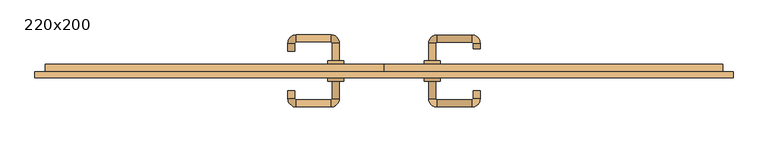
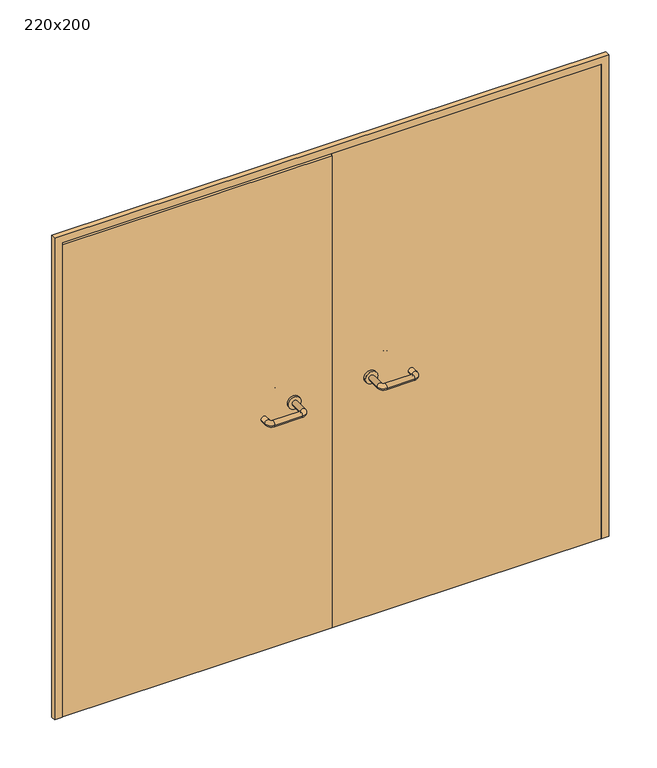
"""IFC4 building model written with IfcOpenShell, lengths in millimetres: door geometry, 220x200."""

from ifc_helpers import new_model, si_unit, point, frame, frame_2d, origin, place, context, project, spatial, polyline, circle_curve, ellipse_curve, trimmed, segment, composite_curve, outline, extrude, source, transform, mapped, element, save
from ifc_brep_helpers import plane_surface, cylinder_surface, revolved_surface, advanced_brep


def door_220x200_5dde4a0d(model_context):
    return source(origin(), model_context, "Body", "SolidModel", [
        extrude(outline(polyline([(2020.0, -1100.0), (0.0, -1100.0), (0.0, -1070.0), (1990.0, -1070.0), (1990.0, 1070.0), (0.0, 1070.0), (0.0, 1100.0), (2020.0, 1100.0), (2020.0, -1100.0)])), frame((0.0, -150.0, 0.0), z_axis=(0.0, 1.0, 0.0), x_axis=(0.0, 0.0, 1.0)), (0.0, 0.0, 1.0), 20.0),
        advanced_brep(
        [(140.99898, -96.0, 1003.0), (162.99898, -96.0, 1003.0), (162.99898, -40.6474631, 1003.0), (140.99898, -40.6474631, 1003.0), (166.99898, -36.6474631, 1003.0), (166.99898, -14.6474631, 1003.0), (276.99898, -36.6474631, 1003.0), (276.99898, -14.6474631, 1003.0), (280.99898, -40.6474631, 1003.0), (302.99898, -40.6474631, 1003.0), (302.99898, -58.0, 1003.0), (280.99898, -58.0, 1003.0)],
        [
            (0, 1, circle_curve(frame((151.99898, -96.0, 1003.0), z_axis=(0.0, -1.0, 0.0), x_axis=(1.0, 0.0, 0.0)), 11.0)),
            (1, 0, circle_curve(frame((151.99898, -96.0, 1003.0), z_axis=(0.0, -1.0, 0.0), x_axis=(1.0, 0.0, 0.0)), 11.0)),
            (1, 2),
            (2, 3, circle_curve(frame((151.99898, -40.6474631, 1003.0), z_axis=(0.0, -1.0, 0.0), x_axis=(1.0, 0.0, 0.0)), 11.0)),
            (3, 0),
            (3, 2, circle_curve(frame((151.99898, -40.6474631, 1003.0), z_axis=(0.0, -1.0, 0.0), x_axis=(1.0, 0.0, 0.0)), 11.0)),
            (4, 5, circle_curve(frame((166.99898, -25.6474631, 1003.0), z_axis=(-1.0, 0.0, 0.0), x_axis=(0.0, -1.0, 0.0)), 11.0)),
            (5, 3, circle_curve(frame((166.99898, -40.6474631, 1003.0), z_axis=(0.0, 0.0, 1.0), x_axis=(-1.0, 0.0, 0.0)), 26.0)),
            (2, 4, circle_curve(frame((166.99898, -40.6474631, 1003.0), z_axis=(0.0, 0.0, -1.0), x_axis=(-1.0, 0.0, 0.0)), 4.0)),
            (5, 4, circle_curve(frame((166.99898, -25.6474631, 1003.0), z_axis=(-1.0, 0.0, 0.0), x_axis=(0.0, -1.0, 0.0)), 11.0)),
            (4, 6),
            (6, 7, circle_curve(frame((276.99898, -25.6474631, 1003.0), z_axis=(-1.0, 0.0, 0.0), x_axis=(0.0, -1.0, 0.0)), 11.0)),
            (7, 5),
            (7, 6, circle_curve(frame((276.99898, -25.6474631, 1003.0), z_axis=(-1.0, 0.0, 0.0), x_axis=(0.0, -1.0, 0.0)), 11.0)),
            (8, 9, circle_curve(frame((291.99898, -40.6474631, 1003.0), z_axis=(0.0, 1.0, 0.0), x_axis=(-1.0, 0.0, 0.0)), 11.0)),
            (9, 7, circle_curve(frame((276.99898, -40.6474631, 1003.0), z_axis=(0.0, 0.0, 1.0), x_axis=(0.0, 1.0, 0.0)), 26.0)),
            (6, 8, circle_curve(frame((276.99898, -40.6474631, 1003.0), z_axis=(0.0, 0.0, -1.0), x_axis=(0.0, 1.0, 0.0)), 4.0)),
            (9, 8, circle_curve(frame((291.99898, -40.6474631, 1003.0), z_axis=(0.0, 1.0, 0.0), x_axis=(-1.0, 0.0, 0.0)), 11.0)),
            (10, 11, circle_curve(frame((291.99898, -58.0, 1003.0), z_axis=(0.0, -1.0, 0.0), x_axis=(-1.0, 0.0, 0.0)), 11.0)),
            (11, 10, circle_curve(frame((291.99898, -58.0, 1003.0), z_axis=(0.0, -1.0, 0.0), x_axis=(-1.0, 0.0, 0.0)), 11.0)),
            (8, 11),
            (10, 9),
        ],
        [
            plane_surface(frame((140.99898, -96.0, 1003.0), z_axis=(0.0, -1.0, 0.0), x_axis=(0.0, 0.0, -1.0))),
            cylinder_surface(frame((151.99898, -96.0, 1003.0), z_axis=(0.0, -1.0, 0.0), x_axis=(1.0, 0.0, 0.0)), 11.0),
            revolved_surface(trimmed(ellipse_curve(frame((151.99898, -40.6474631, 1003.0), z_axis=(0.0, 1.0, 0.0), x_axis=(1.0, 0.0, 0.0)), 11.0, 11.0), [point((140.99898, -40.6474631, 1003.0))], [point((162.99898, -40.6474631, 1003.0))], True, "CARTESIAN"), (166.99898, -40.6474631, 1003.0), (0.0, 0.0, 1.0)),
            revolved_surface(trimmed(ellipse_curve(frame((151.99898, -40.6474631, 1003.0), z_axis=(0.0, 1.0, 0.0), x_axis=(1.0, 0.0, 0.0)), 11.0, 11.0), [point((162.99898, -40.6474631, 1003.0))], [point((140.99898, -40.6474631, 1003.0))], True, "CARTESIAN"), (166.99898, -40.6474631, 1003.0), (0.0, 0.0, 1.0)),
            cylinder_surface(frame((166.99898, -25.6474631, 1003.0), z_axis=(-1.0, 0.0, 0.0), x_axis=(0.0, -1.0, 0.0)), 11.0),
            revolved_surface(trimmed(ellipse_curve(frame((276.99898, -25.6474631, 1003.0), z_axis=(1.0, 0.0, 0.0), x_axis=(0.0, -1.0, 0.0)), 11.0, 11.0), [point((276.99898, -14.6474631, 1003.0))], [point((276.99898, -36.6474631, 1003.0))], True, "CARTESIAN"), (276.99898, -40.6474631, 1003.0), (0.0, 0.0, 1.0)),
            revolved_surface(trimmed(ellipse_curve(frame((276.99898, -25.6474631, 1003.0), z_axis=(1.0, 0.0, 0.0), x_axis=(0.0, -1.0, 0.0)), 11.0, 11.0), [point((276.99898, -36.6474631, 1003.0))], [point((276.99898, -14.6474631, 1003.0))], True, "CARTESIAN"), (276.99898, -40.6474631, 1003.0), (0.0, 0.0, 1.0)),
            plane_surface(frame((280.99898, -58.0, 1003.0), z_axis=(0.0, -1.0, 0.0), x_axis=(0.0, 0.0, 1.0))),
            cylinder_surface(frame((291.99898, -40.6474631, 1003.0), z_axis=(0.0, 1.0, 0.0), x_axis=(-1.0, 0.0, 0.0)), 11.0),
        ],
        [
            (0, [[1, 2]]),
            (1, [[3, 4, 5, -2]]),
            (1, [[-5, 6, -3, -1]]),
            (2, [[7, 8, -4, 9]]),
            (3, [[10, -9, -6, -8]]),
            (4, [[11, 12, 13, -7]]),
            (4, [[-13, 14, -11, -10]]),
            (5, [[15, 16, -12, 17]]),
            (6, [[18, -17, -14, -16]]),
            (7, [[19, 20]]),
            (8, [[21, -19, 22, -15]]),
            (8, [[-22, -20, -21, -18]]),
        ],
    ),
        extrude(outline(composite_curve([segment(trimmed(circle_curve(frame_2d((1003.0, 151.99898)), 25.0), [point((1003.0, 126.99898))], [point((1003.0, 176.99898))], False, "CARTESIAN"), True, "CONTINUOUS"), segment(trimmed(circle_curve(frame_2d((1003.0, 151.99898)), 25.0), [point((1003.0, 176.99898))], [point((1003.0, 126.99898))], False, "CARTESIAN"), True, "CONTINUOUS")], self_intersect=False)), frame((0.0, -106.0, 0.0), z_axis=(0.0, 1.0, 0.0), x_axis=(0.0, 0.0, 1.0)), (0.0, 0.0, 1.0), 10.0),
        advanced_brep(
        [(162.99898, -160.0, 1003.0), (140.99898, -160.0, 1003.0), (140.99898, -215.0, 1003.0), (162.99898, -215.0, 1003.0), (166.99898, -241.0, 1003.0), (166.99898, -219.0, 1003.0), (276.99898, -241.0, 1003.0), (276.99898, -219.0, 1003.0), (302.99898, -215.0, 1003.0), (280.99898, -215.0, 1003.0), (280.99898, -190.0, 1003.0), (302.99898, -190.0, 1003.0)],
        [
            (0, 1, circle_curve(frame((151.99898, -160.0, 1003.0), z_axis=(0.0, 1.0, 0.0), x_axis=(-1.0, 0.0, 0.0)), 11.0)),
            (1, 0, circle_curve(frame((151.99898, -160.0, 1003.0), z_axis=(0.0, 1.0, 0.0), x_axis=(-1.0, 0.0, 0.0)), 11.0)),
            (1, 2),
            (2, 3, circle_curve(frame((151.99898, -215.0, 1003.0), z_axis=(0.0, 1.0, 0.0), x_axis=(-1.0, 0.0, 0.0)), 11.0)),
            (3, 0),
            (3, 2, circle_curve(frame((151.99898, -215.0, 1003.0), z_axis=(0.0, 1.0, 0.0), x_axis=(-1.0, 0.0, 0.0)), 11.0)),
            (4, 5, circle_curve(frame((166.99898, -230.0, 1003.0), z_axis=(-1.0, 0.0, 0.0), x_axis=(0.0, -1.0, 0.0)), 11.0)),
            (5, 3, circle_curve(frame((166.99898, -215.0, 1003.0), z_axis=(0.0, 0.0, -1.0), x_axis=(-1.0, 0.0, 0.0)), 4.0)),
            (2, 4, circle_curve(frame((166.99898, -215.0, 1003.0), z_axis=(0.0, 0.0, 1.0), x_axis=(-1.0, 0.0, 0.0)), 26.0)),
            (5, 4, circle_curve(frame((166.99898, -230.0, 1003.0), z_axis=(-1.0, 0.0, 0.0), x_axis=(0.0, -1.0, 0.0)), 11.0)),
            (4, 6),
            (6, 7, circle_curve(frame((276.99898, -230.0, 1003.0), z_axis=(-1.0, 0.0, 0.0), x_axis=(0.0, -1.0, 0.0)), 11.0)),
            (7, 5),
            (7, 6, circle_curve(frame((276.99898, -230.0, 1003.0), z_axis=(-1.0, 0.0, 0.0), x_axis=(0.0, -1.0, 0.0)), 11.0)),
            (8, 9, circle_curve(frame((291.99898, -215.0, 1003.0), z_axis=(0.0, -1.0, 0.0), x_axis=(1.0, 0.0, 0.0)), 11.0)),
            (9, 7, circle_curve(frame((276.99898, -215.0, 1003.0), z_axis=(0.0, 0.0, -1.0), x_axis=(0.0, -1.0, 0.0)), 4.0)),
            (6, 8, circle_curve(frame((276.99898, -215.0, 1003.0), z_axis=(0.0, 0.0, 1.0), x_axis=(0.0, -1.0, 0.0)), 26.0)),
            (9, 8, circle_curve(frame((291.99898, -215.0, 1003.0), z_axis=(0.0, -1.0, 0.0), x_axis=(1.0, 0.0, 0.0)), 11.0)),
            (10, 11, circle_curve(frame((291.99898, -190.0, 1003.0), z_axis=(0.0, 1.0, 0.0), x_axis=(1.0, 0.0, 0.0)), 11.0)),
            (11, 10, circle_curve(frame((291.99898, -190.0, 1003.0), z_axis=(0.0, 1.0, 0.0), x_axis=(1.0, 0.0, 0.0)), 11.0)),
            (8, 11),
            (10, 9),
        ],
        [
            plane_surface(frame((140.99898, -160.0, 1003.0), z_axis=(0.0, 1.0, 0.0), x_axis=(0.0, 0.0, 1.0))),
            cylinder_surface(frame((151.99898, -160.0, 1003.0), z_axis=(0.0, 1.0, 0.0), x_axis=(-1.0, 0.0, 0.0)), 11.0),
            revolved_surface(trimmed(ellipse_curve(frame((151.99898, -215.0, 1003.0), z_axis=(0.0, -1.0, 0.0), x_axis=(-1.0, 0.0, 0.0)), 11.0, 11.0), [point((162.99898, -215.0, 1003.0))], [point((140.99898, -215.0, 1003.0))], True, "CARTESIAN"), (166.99898, -215.0, 1003.0), (0.0, 0.0, -1.0)),
            revolved_surface(trimmed(ellipse_curve(frame((151.99898, -215.0, 1003.0), z_axis=(0.0, -1.0, 0.0), x_axis=(-1.0, 0.0, 0.0)), 11.0, 11.0), [point((140.99898, -215.0, 1003.0))], [point((162.99898, -215.0, 1003.0))], True, "CARTESIAN"), (166.99898, -215.0, 1003.0), (0.0, 0.0, -1.0)),
            cylinder_surface(frame((166.99898, -230.0, 1003.0), z_axis=(-1.0, 0.0, 0.0), x_axis=(0.0, -1.0, 0.0)), 11.0),
            revolved_surface(trimmed(ellipse_curve(frame((276.99898, -230.0, 1003.0), z_axis=(1.0, 0.0, 0.0), x_axis=(0.0, -1.0, 0.0)), 11.0, 11.0), [point((276.99898, -219.0, 1003.0))], [point((276.99898, -241.0, 1003.0))], True, "CARTESIAN"), (276.99898, -215.0, 1003.0), (0.0, 0.0, -1.0)),
            revolved_surface(trimmed(ellipse_curve(frame((276.99898, -230.0, 1003.0), z_axis=(1.0, 0.0, 0.0), x_axis=(0.0, -1.0, 0.0)), 11.0, 11.0), [point((276.99898, -241.0, 1003.0))], [point((276.99898, -219.0, 1003.0))], True, "CARTESIAN"), (276.99898, -215.0, 1003.0), (0.0, 0.0, -1.0)),
            plane_surface(frame((280.99898, -190.0, 1003.0), z_axis=(0.0, 1.0, 0.0), x_axis=(0.0, 0.0, -1.0))),
            cylinder_surface(frame((291.99898, -215.0, 1003.0), z_axis=(0.0, -1.0, 0.0), x_axis=(1.0, 0.0, 0.0)), 11.0),
        ],
        [
            (0, [[1, 2]]),
            (1, [[3, 4, 5, -2]]),
            (1, [[-5, 6, -3, -1]]),
            (2, [[7, 8, -4, 9]]),
            (3, [[10, -9, -6, -8]]),
            (4, [[11, 12, 13, -7]]),
            (4, [[-13, 14, -11, -10]]),
            (5, [[15, 16, -12, 17]]),
            (6, [[18, -17, -14, -16]]),
            (7, [[19, 20]]),
            (8, [[21, -19, 22, -15]]),
            (8, [[-22, -20, -21, -18]]),
        ],
    ),
        extrude(outline(composite_curve([segment(trimmed(circle_curve(frame_2d((1003.0, 151.99898)), 25.0), [point((1003.0, 176.99898))], [point((1003.0, 126.99898))], False, "CARTESIAN"), True, "CONTINUOUS"), segment(trimmed(circle_curve(frame_2d((1003.0, 151.99898)), 25.0), [point((1003.0, 126.99898))], [point((1003.0, 176.99898))], False, "CARTESIAN"), True, "CONTINUOUS")], self_intersect=False)), frame((0.0, -160.0, 0.0), z_axis=(0.0, 1.0, 0.0), x_axis=(0.0, 0.0, 1.0)), (0.0, 0.0, 1.0), 10.0),
        advanced_brep(
        [(-162.99898, -95.6886121, 1003.0), (-140.99898, -95.6886121, 1003.0), (-140.99898, -40.2779553, 1003.0), (-162.99898, -40.2779553, 1003.0), (-166.99898, -14.2779553, 1003.0), (-166.99898, -36.2779553, 1003.0), (-276.99898, -14.2779553, 1003.0), (-276.99898, -36.2779553, 1003.0), (-302.99898, -40.2779553, 1003.0), (-280.99898, -40.2779553, 1003.0), (-280.99898, -65.2779553, 1003.0), (-302.99898, -65.2779553, 1003.0)],
        [
            (0, 1, circle_curve(frame((-151.99898, -95.6886121, 1003.0), z_axis=(0.0, -1.0, 0.0), x_axis=(1.0, 0.0, 0.0)), 11.0)),
            (1, 0, circle_curve(frame((-151.99898, -95.6886121, 1003.0), z_axis=(0.0, -1.0, 0.0), x_axis=(1.0, 0.0, 0.0)), 11.0)),
            (1, 2),
            (2, 3, circle_curve(frame((-151.99898, -40.2779553, 1003.0), z_axis=(0.0, -1.0, 0.0), x_axis=(1.0, 0.0, 0.0)), 11.0)),
            (3, 0),
            (3, 2, circle_curve(frame((-151.99898, -40.2779553, 1003.0), z_axis=(0.0, -1.0, 0.0), x_axis=(1.0, 0.0, 0.0)), 11.0)),
            (4, 5, circle_curve(frame((-166.99898, -25.2779553, 1003.0), z_axis=(1.0, 0.0, 0.0), x_axis=(0.0, 1.0, 0.0)), 11.0)),
            (5, 3, circle_curve(frame((-166.99898, -40.2779553, 1003.0), z_axis=(0.0, 0.0, -1.0), x_axis=(1.0, 0.0, 0.0)), 4.0)),
            (2, 4, circle_curve(frame((-166.99898, -40.2779553, 1003.0), z_axis=(0.0, 0.0, 1.0), x_axis=(1.0, 0.0, 0.0)), 26.0)),
            (5, 4, circle_curve(frame((-166.99898, -25.2779553, 1003.0), z_axis=(1.0, 0.0, 0.0), x_axis=(0.0, 1.0, 0.0)), 11.0)),
            (4, 6),
            (6, 7, circle_curve(frame((-276.99898, -25.2779553, 1003.0), z_axis=(1.0, 0.0, 0.0), x_axis=(0.0, 1.0, 0.0)), 11.0)),
            (7, 5),
            (7, 6, circle_curve(frame((-276.99898, -25.2779553, 1003.0), z_axis=(1.0, 0.0, 0.0), x_axis=(0.0, 1.0, 0.0)), 11.0)),
            (8, 9, circle_curve(frame((-291.99898, -40.2779553, 1003.0), z_axis=(0.0, 1.0, 0.0), x_axis=(-1.0, 0.0, 0.0)), 11.0)),
            (9, 7, circle_curve(frame((-276.99898, -40.2779553, 1003.0), z_axis=(0.0, 0.0, -1.0), x_axis=(0.0, 1.0, 0.0)), 4.0)),
            (6, 8, circle_curve(frame((-276.99898, -40.2779553, 1003.0), z_axis=(0.0, 0.0, 1.0), x_axis=(0.0, 1.0, 0.0)), 26.0)),
            (9, 8, circle_curve(frame((-291.99898, -40.2779553, 1003.0), z_axis=(0.0, 1.0, 0.0), x_axis=(-1.0, 0.0, 0.0)), 11.0)),
            (10, 11, circle_curve(frame((-291.99898, -65.2779553, 1003.0), z_axis=(0.0, -1.0, 0.0), x_axis=(-1.0, 0.0, 0.0)), 11.0)),
            (11, 10, circle_curve(frame((-291.99898, -65.2779553, 1003.0), z_axis=(0.0, -1.0, 0.0), x_axis=(-1.0, 0.0, 0.0)), 11.0)),
            (8, 11),
            (10, 9),
        ],
        [
            plane_surface(frame((-162.99898, -95.6886121, 1003.0), z_axis=(0.0, -1.0, 0.0), x_axis=(0.0, 0.0, -1.0))),
            cylinder_surface(frame((-151.99898, -95.6886121, 1003.0), z_axis=(0.0, -1.0, 0.0), x_axis=(1.0, 0.0, 0.0)), 11.0),
            revolved_surface(trimmed(ellipse_curve(frame((-151.99898, -40.2779553, 1003.0), z_axis=(0.0, 1.0, 0.0), x_axis=(1.0, 0.0, 0.0)), 11.0, 11.0), [point((-162.99898, -40.2779553, 1003.0))], [point((-140.99898, -40.2779553, 1003.0))], True, "CARTESIAN"), (-166.99898, -40.2779553, 1003.0), (0.0, 0.0, -1.0)),
            revolved_surface(trimmed(ellipse_curve(frame((-151.99898, -40.2779553, 1003.0), z_axis=(0.0, 1.0, 0.0), x_axis=(1.0, 0.0, 0.0)), 11.0, 11.0), [point((-140.99898, -40.2779553, 1003.0))], [point((-162.99898, -40.2779553, 1003.0))], True, "CARTESIAN"), (-166.99898, -40.2779553, 1003.0), (0.0, 0.0, -1.0)),
            cylinder_surface(frame((-166.99898, -25.2779553, 1003.0), z_axis=(1.0, 0.0, 0.0), x_axis=(0.0, 1.0, 0.0)), 11.0),
            revolved_surface(trimmed(ellipse_curve(frame((-276.99898, -25.2779553, 1003.0), z_axis=(-1.0, 0.0, 0.0), x_axis=(0.0, 1.0, 0.0)), 11.0, 11.0), [point((-276.99898, -36.2779553, 1003.0))], [point((-276.99898, -14.2779553, 1003.0))], True, "CARTESIAN"), (-276.99898, -40.2779553, 1003.0), (0.0, 0.0, -1.0)),
            revolved_surface(trimmed(ellipse_curve(frame((-276.99898, -25.2779553, 1003.0), z_axis=(-1.0, 0.0, 0.0), x_axis=(0.0, 1.0, 0.0)), 11.0, 11.0), [point((-276.99898, -14.2779553, 1003.0))], [point((-276.99898, -36.2779553, 1003.0))], True, "CARTESIAN"), (-276.99898, -40.2779553, 1003.0), (0.0, 0.0, -1.0)),
            plane_surface(frame((-302.99898, -65.2779553, 1003.0), z_axis=(0.0, -1.0, 0.0), x_axis=(0.0, 0.0, 1.0))),
            cylinder_surface(frame((-291.99898, -40.2779553, 1003.0), z_axis=(0.0, 1.0, 0.0), x_axis=(-1.0, 0.0, 0.0)), 11.0),
        ],
        [
            (0, [[1, 2]]),
            (1, [[3, 4, 5, -2]]),
            (1, [[-5, 6, -3, -1]]),
            (2, [[7, 8, -4, 9]]),
            (3, [[10, -9, -6, -8]]),
            (4, [[11, 12, 13, -7]]),
            (4, [[-13, 14, -11, -10]]),
            (5, [[15, 16, -12, 17]]),
            (6, [[18, -17, -14, -16]]),
            (7, [[19, 20]]),
            (8, [[21, -19, 22, -15]]),
            (8, [[-22, -20, -21, -18]]),
        ],
    ),
        extrude(outline(composite_curve([segment(trimmed(circle_curve(frame_2d((1003.0, -151.99898)), 25.0), [point((1003.0, -176.99898))], [point((1003.0, -126.99898))], False, "CARTESIAN"), True, "CONTINUOUS"), segment(trimmed(circle_curve(frame_2d((1003.0, -151.99898)), 25.0), [point((1003.0, -126.99898))], [point((1003.0, -176.99898))], False, "CARTESIAN"), True, "CONTINUOUS")], self_intersect=False)), frame((0.0, -106.0, 0.0), z_axis=(0.0, 1.0, 0.0), x_axis=(0.0, 0.0, 1.0)), (0.0, 0.0, 1.0), 10.3113879),
        advanced_brep(
        [(-140.99898, -159.5143417, 1003.0), (-162.99898, -159.5143417, 1003.0), (-162.99898, -214.6104656, 1003.0), (-140.99898, -214.6104656, 1003.0), (-166.99898, -218.6104656, 1003.0), (-166.99898, -240.6104656, 1003.0), (-276.99898, -218.6104656, 1003.0), (-276.99898, -240.6104656, 1003.0), (-280.99898, -214.6104656, 1003.0), (-302.99898, -214.6104656, 1003.0), (-302.99898, -189.6104656, 1003.0), (-280.99898, -189.6104656, 1003.0)],
        [
            (0, 1, circle_curve(frame((-151.99898, -159.5143417, 1003.0), z_axis=(0.0, 1.0, 0.0), x_axis=(-1.0, 0.0, 0.0)), 11.0)),
            (1, 0, circle_curve(frame((-151.99898, -159.5143417, 1003.0), z_axis=(0.0, 1.0, 0.0), x_axis=(-1.0, 0.0, 0.0)), 11.0)),
            (1, 2),
            (2, 3, circle_curve(frame((-151.99898, -214.6104656, 1003.0), z_axis=(0.0, 1.0, 0.0), x_axis=(-1.0, 0.0, 0.0)), 11.0)),
            (3, 0),
            (3, 2, circle_curve(frame((-151.99898, -214.6104656, 1003.0), z_axis=(0.0, 1.0, 0.0), x_axis=(-1.0, 0.0, 0.0)), 11.0)),
            (4, 5, circle_curve(frame((-166.99898, -229.6104656, 1003.0), z_axis=(1.0, 0.0, 0.0), x_axis=(0.0, 1.0, 0.0)), 11.0)),
            (5, 3, circle_curve(frame((-166.99898, -214.6104656, 1003.0), z_axis=(0.0, 0.0, 1.0), x_axis=(1.0, 0.0, 0.0)), 26.0)),
            (2, 4, circle_curve(frame((-166.99898, -214.6104656, 1003.0), z_axis=(0.0, 0.0, -1.0), x_axis=(1.0, 0.0, 0.0)), 4.0)),
            (5, 4, circle_curve(frame((-166.99898, -229.6104656, 1003.0), z_axis=(1.0, 0.0, 0.0), x_axis=(0.0, 1.0, 0.0)), 11.0)),
            (4, 6),
            (6, 7, circle_curve(frame((-276.99898, -229.6104656, 1003.0), z_axis=(1.0, 0.0, 0.0), x_axis=(0.0, 1.0, 0.0)), 11.0)),
            (7, 5),
            (7, 6, circle_curve(frame((-276.99898, -229.6104656, 1003.0), z_axis=(1.0, 0.0, 0.0), x_axis=(0.0, 1.0, 0.0)), 11.0)),
            (8, 9, circle_curve(frame((-291.99898, -214.6104656, 1003.0), z_axis=(0.0, -1.0, 0.0), x_axis=(1.0, 0.0, 0.0)), 11.0)),
            (9, 7, circle_curve(frame((-276.99898, -214.6104656, 1003.0), z_axis=(0.0, 0.0, 1.0), x_axis=(0.0, -1.0, 0.0)), 26.0)),
            (6, 8, circle_curve(frame((-276.99898, -214.6104656, 1003.0), z_axis=(0.0, 0.0, -1.0), x_axis=(0.0, -1.0, 0.0)), 4.0)),
            (9, 8, circle_curve(frame((-291.99898, -214.6104656, 1003.0), z_axis=(0.0, -1.0, 0.0), x_axis=(1.0, 0.0, 0.0)), 11.0)),
            (10, 11, circle_curve(frame((-291.99898, -189.6104656, 1003.0), z_axis=(0.0, 1.0, 0.0), x_axis=(1.0, 0.0, 0.0)), 11.0)),
            (11, 10, circle_curve(frame((-291.99898, -189.6104656, 1003.0), z_axis=(0.0, 1.0, 0.0), x_axis=(1.0, 0.0, 0.0)), 11.0)),
            (8, 11),
            (10, 9),
        ],
        [
            plane_surface(frame((-162.99898, -159.5143417, 1003.0), z_axis=(0.0, 1.0, 0.0), x_axis=(0.0, 0.0, 1.0))),
            cylinder_surface(frame((-151.99898, -159.5143417, 1003.0), z_axis=(0.0, 1.0, 0.0), x_axis=(-1.0, 0.0, 0.0)), 11.0),
            revolved_surface(trimmed(ellipse_curve(frame((-151.99898, -214.6104656, 1003.0), z_axis=(0.0, -1.0, 0.0), x_axis=(-1.0, 0.0, 0.0)), 11.0, 11.0), [point((-140.99898, -214.6104656, 1003.0))], [point((-162.99898, -214.6104656, 1003.0))], True, "CARTESIAN"), (-166.99898, -214.6104656, 1003.0), (0.0, 0.0, 1.0)),
            revolved_surface(trimmed(ellipse_curve(frame((-151.99898, -214.6104656, 1003.0), z_axis=(0.0, -1.0, 0.0), x_axis=(-1.0, 0.0, 0.0)), 11.0, 11.0), [point((-162.99898, -214.6104656, 1003.0))], [point((-140.99898, -214.6104656, 1003.0))], True, "CARTESIAN"), (-166.99898, -214.6104656, 1003.0), (0.0, 0.0, 1.0)),
            cylinder_surface(frame((-166.99898, -229.6104656, 1003.0), z_axis=(1.0, 0.0, 0.0), x_axis=(0.0, 1.0, 0.0)), 11.0),
            revolved_surface(trimmed(ellipse_curve(frame((-276.99898, -229.6104656, 1003.0), z_axis=(-1.0, 0.0, 0.0), x_axis=(0.0, 1.0, 0.0)), 11.0, 11.0), [point((-276.99898, -240.6104656, 1003.0))], [point((-276.99898, -218.6104656, 1003.0))], True, "CARTESIAN"), (-276.99898, -214.6104656, 1003.0), (0.0, 0.0, 1.0)),
            revolved_surface(trimmed(ellipse_curve(frame((-276.99898, -229.6104656, 1003.0), z_axis=(-1.0, 0.0, 0.0), x_axis=(0.0, 1.0, 0.0)), 11.0, 11.0), [point((-276.99898, -218.6104656, 1003.0))], [point((-276.99898, -240.6104656, 1003.0))], True, "CARTESIAN"), (-276.99898, -214.6104656, 1003.0), (0.0, 0.0, 1.0)),
            plane_surface(frame((-302.99898, -189.6104656, 1003.0), z_axis=(0.0, 1.0, 0.0), x_axis=(0.0, 0.0, -1.0))),
            cylinder_surface(frame((-291.99898, -214.6104656, 1003.0), z_axis=(0.0, -1.0, 0.0), x_axis=(1.0, 0.0, 0.0)), 11.0),
        ],
        [
            (0, [[1, 2]]),
            (1, [[3, 4, 5, -2]]),
            (1, [[-5, 6, -3, -1]]),
            (2, [[7, 8, -4, 9]]),
            (3, [[10, -9, -6, -8]]),
            (4, [[11, 12, 13, -7]]),
            (4, [[-13, 14, -11, -10]]),
            (5, [[15, 16, -12, 17]]),
            (6, [[18, -17, -14, -16]]),
            (7, [[19, 20]]),
            (8, [[21, -19, 22, -15]]),
            (8, [[-22, -20, -21, -18]]),
        ],
    ),
        extrude(outline(composite_curve([segment(trimmed(circle_curve(frame_2d((1003.0, -151.99898)), 25.0), [point((1003.0, -126.99898))], [point((1003.0, -176.99898))], False, "CARTESIAN"), True, "CONTINUOUS"), segment(trimmed(circle_curve(frame_2d((1003.0, -151.99898)), 25.0), [point((1003.0, -176.99898))], [point((1003.0, -126.99898))], False, "CARTESIAN"), True, "CONTINUOUS")], self_intersect=False)), frame((0.0, -159.5143417, 0.0), z_axis=(0.0, 1.0, 0.0), x_axis=(0.0, 0.0, 1.0)), (0.0, 0.0, 1.0), 9.5143417),
        extrude(outline(polyline([(1.0739506, -106.0), (1.0739506, -150.0), (-1067.0, -150.0), (-1067.0, -106.0), (1.0739506, -106.0)])), frame((0.0, 0.0, 1.753223), z_axis=(0.0, 0.0, 1.0), x_axis=(1.0, 0.0, 0.0)), (0.0, 0.0, 1.0), 1979.246777),
        extrude(outline(polyline([(1067.0, -106.0), (1067.0, -150.0), (1.0739506, -150.0), (1.0739506, -106.0), (1067.0, -106.0)])), frame((0.0, 0.0, 1.753223), z_axis=(0.0, 0.0, 1.0), x_axis=(1.0, 0.0, 0.0)), (0.0, 0.0, 1.0), 1988.246777),
    ])


if __name__ == "__main__":
    model = new_model("IFC4")
    model_context = context("Model", 3, world=origin())
    ifc_project = project(units=[si_unit("LENGTHUNIT", "METRE", prefix="MILLI")], contexts=[model_context])
    site = spatial("IfcSite", under=ifc_project)
    building = spatial("IfcBuilding", under=site)
    placement = place(None, origin())
    door_220x200_shape = door_220x200_5dde4a0d(model_context)
    element("IfcDoor", 1, ObjectType="220x200", at=placement, inside=building, context=model_context, shape_type="MappedRepresentation", body=[
        mapped(door_220x200_shape, transform((0.0, 0.0, 0.0), x_axis=(1.0, 0.0, 0.0), y_axis=(0.0, 1.0, 0.0), z_axis=(0.0, 0.0, 1.0))),
    ])
    save(model, "model.ifc")
